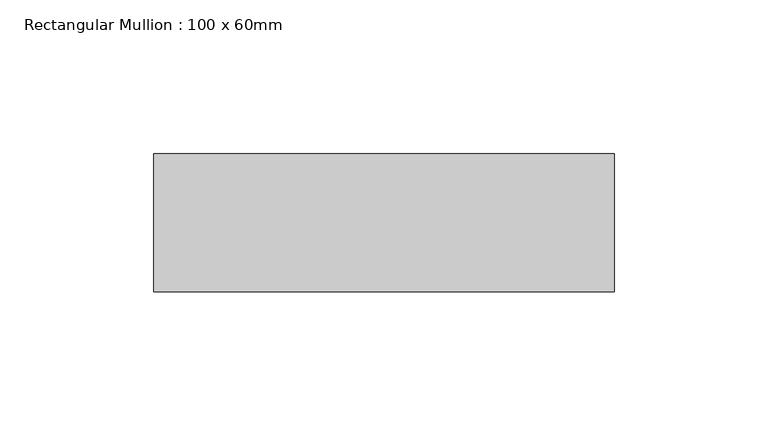
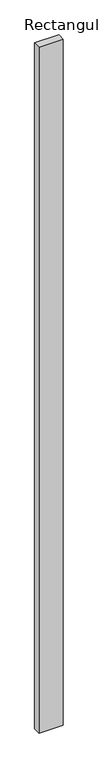
"""IFC4 building model written with IfcOpenShell, lengths in millimetres: member geometry, Rectangular Mullion : 100 x 60mm."""

from ifc_helpers import new_model, si_unit, frame, origin, place, context, project, spatial, polyline, outline, extrude, source, transform, mapped, element, save


def rectangular_mullion_100_x_60mm_09016cb5(model_context):
    return source(origin(), model_context, "Body", "SweptSolid", [
        extrude(outline(polyline([(0.0, -30.0), (-150.0, -30.0), (-150.0, 15.0), (0.0, 15.0), (0.0, -30.0)])), frame((0.0, 0.0, -4478.5270378), z_axis=(0.0, 0.0, 1.0), x_axis=(1.0, 0.0, 0.0)), (0.0, 0.0, 1.0), 4478.5270378),
    ])


if __name__ == "__main__":
    model = new_model("IFC4")
    model_context = context("Model", 3, world=origin())
    ifc_project = project(units=[si_unit("LENGTHUNIT", "METRE", prefix="MILLI")], contexts=[model_context])
    site = spatial("IfcSite", under=ifc_project)
    building = spatial("IfcBuilding", under=site)
    placement = place(None, origin())
    rectangular_mullion_100_x_60mm_shape = rectangular_mullion_100_x_60mm_09016cb5(model_context)
    element("IfcMember", 1, ObjectType="Rectangular Mullion : 100 x 60mm", at=placement, inside=building, context=model_context, shape_type="MappedRepresentation", body=[
        mapped(rectangular_mullion_100_x_60mm_shape, transform((0.0, 0.0, 0.0), x_axis=(1.0, 0.0, 0.0), y_axis=(0.0, 1.0, 0.0), z_axis=(0.0, 0.0, 1.0))),
    ])
    save(model, "model.ifc")
